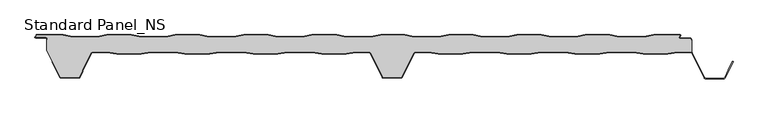
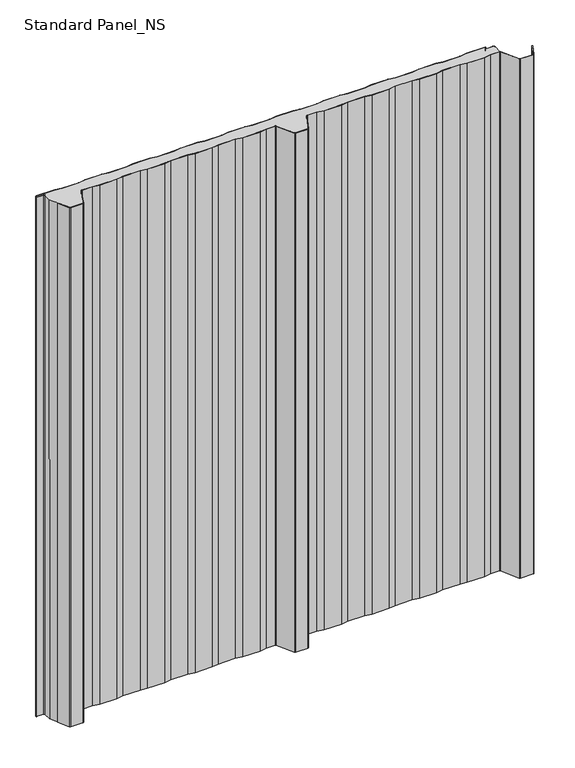
"""IFC4 building model written with IfcOpenShell, lengths in millimetres: proxy geometry, Standard Panel_NS."""

import ifcopenshell
import ifcopenshell.guid

model = None  # the IFC model being written
_history = None  # IfcOwnerHistory: only IFC2X3 demands one
_inside = {}  # id of a spatial element -> (the spatial element, [elements in it])
_under = {}  # id of a project, library or spatial element -> (it, [spatial elements below it])
_declared = {}  # id of a project -> (the project, [libraries it declares])
_typed = {}  # id of a type object -> (the type object, [elements of that type])
_made_of = {}  # id of a material, layer set ... -> (it, [elements and type objects made of it])


def new_model(schema):
    """Start an empty IFC model of exactly this schema.

    Asked for "IFC4X3", IfcOpenShell would pick the latest addendum, in which some entities
    have other attributes; the version numbers below select the first issue.
    IFC2X3 requires an IfcOwnerHistory on every rooted entity: one is made here for all.
    """
    global model, _history
    if schema == "IFC4X3":
        model = ifcopenshell.file(schema_version=(4, 3, 0, 0))
    else:
        model = ifcopenshell.file(schema=schema)
    _inside.clear()
    _under.clear()
    _declared.clear()
    _typed.clear()
    _made_of.clear()
    _history = None
    if model.schema == "IFC2X3":
        org = make("IfcOrganization", Name="unknown")
        user = make(
            "IfcPersonAndOrganization",
            ThePerson=make("IfcPerson", FamilyName="unknown"),
            TheOrganization=org,
        )
        app = make(
            "IfcApplication",
            ApplicationDeveloper=org,
            Version="unknown",
            ApplicationFullName="unknown",
            ApplicationIdentifier="unknown",
        )
        _history = make(
            "IfcOwnerHistory",
            OwningUser=user,
            OwningApplication=app,
            ChangeAction="ADDED",
            CreationDate=0,
        )
    return model


def make(cls, **values):
    """One entity of the class cls with the attributes given. An attribute that is None is left unset."""
    return model.create_entity(
        cls, **{name: value for name, value in values.items() if value is not None}
    )


def rooted(cls, **values):
    """An entity with a GlobalId (a new one), such as an element, a storey or a relation."""
    return make(cls, GlobalId=ifcopenshell.guid.new(), OwnerHistory=_history, **values)


def si_unit(unit_type, name, prefix=None):
    """IfcSIUnit, for example si_unit("LENGTHUNIT", "METRE", prefix="MILLI")."""
    return make("IfcSIUnit", UnitType=unit_type, Prefix=prefix, Name=name)


def assignment(units):
    """IfcUnitAssignment: the units of a project."""
    return None if units is None else make("IfcUnitAssignment", Units=units)


def point(xyz):
    """IfcCartesianPoint."""
    return None if xyz is None else make("IfcCartesianPoint", Coordinates=xyz)


def direction(xyz):
    """IfcDirection."""
    return None if xyz is None else make("IfcDirection", DirectionRatios=xyz)


def frame(location, z_axis=None, x_axis=None):
    """IfcAxis2Placement3D, a coordinate frame: its origin and axes. An axis left out is left unset."""
    return make(
        "IfcAxis2Placement3D",
        Location=point(location),
        Axis=direction(z_axis),
        RefDirection=direction(x_axis),
    )


def frame_2d(location, x_axis=None):
    """IfcAxis2Placement2D, a coordinate frame in the plane: its origin and x axis."""
    return make(
        "IfcAxis2Placement2D", Location=point(location), RefDirection=direction(x_axis)
    )


def origin():
    """The frame at (0, 0, 0) with its axes left unset."""
    return frame((0.0, 0.0, 0.0))


def origin_with_axes():
    """The frame at (0, 0, 0) with the z axis (0, 0, 1) and the x axis (1, 0, 0) written out."""
    return frame((0.0, 0.0, 0.0), z_axis=(0.0, 0.0, 1.0), x_axis=(1.0, 0.0, 0.0))


def place(relative_to, where):
    """IfcLocalPlacement: puts the frame where relative to a parent placement (None: the world)."""
    return make(
        "IfcLocalPlacement", PlacementRelTo=relative_to, RelativePlacement=where
    )


def context(
    kind, dimensions, precision=None, world=None, true_north=None, identifier=None
):
    """IfcGeometricRepresentationContext, for example the 3D "Model" context."""
    return make(
        "IfcGeometricRepresentationContext",
        ContextIdentifier=identifier,
        ContextType=kind,
        CoordinateSpaceDimension=dimensions,
        Precision=precision,
        WorldCoordinateSystem=world,
        TrueNorth=true_north,
    )


def project(units=None, contexts=None):
    """IfcProject with its units and contexts."""
    return rooted(
        "IfcProject",
        Name="project",
        RepresentationContexts=contexts,
        UnitsInContext=assignment(units),
    )


def spatial(cls, under=None, at=None, **own):
    """A site, building, storey or space (cls), placed at a placement, below another one or the project."""
    s = rooted(cls, ObjectPlacement=at, **own)
    if under is not None:
        _under.setdefault(under.id(), (under, []))[1].append(s)
    return s


def polyline(points):
    """IfcPolyline through the points."""
    return make("IfcPolyline", Points=[point(p) for p in points])


def circle_curve(where, radius):
    """IfcCircle in the frame where."""
    return make("IfcCircle", Position=where, Radius=radius)


def trimmed(basis, trim1, trim2, sense, master):
    """IfcTrimmedCurve: the piece of a basis curve between two trims."""
    return make(
        "IfcTrimmedCurve",
        BasisCurve=basis,
        Trim1=trim1,
        Trim2=trim2,
        SenseAgreement=sense,
        MasterRepresentation=master,
    )


def segment(curve, same_sense, transition):
    """IfcCompositeCurveSegment."""
    return make(
        "IfcCompositeCurveSegment",
        Transition=transition,
        SameSense=same_sense,
        ParentCurve=curve,
    )


def composite_curve(segments, self_intersect=None):
    """IfcCompositeCurve: segments joined end to end."""
    return make("IfcCompositeCurve", Segments=segments, SelfIntersect=self_intersect)


def outline(outer, holes=None, kind="AREA"):
    """IfcArbitraryClosedProfileDef: a profile drawn as a closed curve; with holes, ...WithVoids."""
    if holes is None:
        return make("IfcArbitraryClosedProfileDef", ProfileType=kind, OuterCurve=outer)
    return make(
        "IfcArbitraryProfileDefWithVoids",
        ProfileType=kind,
        OuterCurve=outer,
        InnerCurves=holes,
    )


def extrude(swept, where, along, depth):
    """IfcExtrudedAreaSolid: the profile swept, set in the frame where, extruded along a direction by depth."""
    return make(
        "IfcExtrudedAreaSolid",
        SweptArea=swept,
        Position=where,
        ExtrudedDirection=direction(along),
        Depth=depth,
    )


def shape(context_of_items, identifier, shape_type, items):
    """IfcShapeRepresentation: the items that make up one representation, for example the "Body"."""
    return make(
        "IfcShapeRepresentation",
        ContextOfItems=context_of_items,
        RepresentationIdentifier=identifier,
        RepresentationType=shape_type,
        Items=items,
    )


def source(mapping_origin, context_of_items, identifier, shape_type, items):
    """IfcRepresentationMap: a shape defined once, which mapped items show again and again."""
    return make(
        "IfcRepresentationMap",
        MappingOrigin=mapping_origin,
        MappedRepresentation=shape(context_of_items, identifier, shape_type, items),
    )


def transform(
    local_origin,
    x_axis=None,
    y_axis=None,
    z_axis=None,
    scale=None,
    scale2=None,
    scale3=None,
    uniform=True,
):
    """IfcCartesianTransformationOperator3D, or its non-uniform kind. x_axis, y_axis, z_axis: its Axis1, 2, 3."""
    if uniform:
        return make(
            "IfcCartesianTransformationOperator3D",
            Axis1=direction(x_axis),
            Axis2=direction(y_axis),
            LocalOrigin=point(local_origin),
            Scale=scale,
            Axis3=direction(z_axis),
        )
    return make(
        "IfcCartesianTransformationOperator3DnonUniform",
        Axis1=direction(x_axis),
        Axis2=direction(y_axis),
        LocalOrigin=point(local_origin),
        Scale=scale,
        Axis3=direction(z_axis),
        Scale2=scale2,
        Scale3=scale3,
    )


def mapped(mapping_source, mapping_target):
    """IfcMappedItem: shows the shape of a source again, moved by a transform."""
    return make(
        "IfcMappedItem", MappingSource=mapping_source, MappingTarget=mapping_target
    )


def made_of(thing, what):
    """Note that an element or type object is made of a material, layer set ...; save() writes the relation."""
    if what is not None:
        _made_of.setdefault(what.id(), (what, []))[1].append(thing)
    return thing


def element(
    cls,
    number,
    at=None,
    inside=None,
    cuts=None,
    type_object=None,
    material=None,
    context=None,
    identifier="Body",
    shape_type=None,
    held_by="IfcProductDefinitionShape",
    body=None,
    shapes=None,
    **own,
):
    """One element of the class cls, such as IfcWall. Its Tag is "e" and its number.

    at: its placement. inside: the storey or other place that contains it. cuts: it is an
    opening in that element (IfcRelVoidsElement). A single representation is given by context,
    identifier, shape_type and body (its items); several are given by shapes. held_by: the class
    of the entity that holds the representations. save() writes the other relations.
    """
    e = rooted(cls, Tag="e%d" % number, ObjectPlacement=at, **own)
    if body is not None:
        shapes = [shape(context, identifier, shape_type, body)]
    if shapes is not None:
        e.Representation = make(held_by, Representations=shapes)
    if inside is not None:
        _inside.setdefault(inside.id(), (inside, []))[1].append(e)
    if cuts is not None:
        rooted(
            "IfcRelVoidsElement", RelatingBuildingElement=cuts, RelatedOpeningElement=e
        )
    if type_object is not None:
        _typed.setdefault(type_object.id(), (type_object, []))[1].append(e)
    return made_of(e, material)


def aggregate(whole, parts):
    """IfcRelAggregates: a whole, such as a stair, and the parts it consists of."""
    return rooted("IfcRelAggregates", RelatingObject=whole, RelatedObjects=parts)


def save(model, path):
    """Write the relations noted so far, then the file.

    IfcRelAggregates (storeys below a building ...), IfcRelContainedInSpatialStructure (elements
    in a storey), IfcRelDefinesByType, IfcRelAssociatesMaterial and IfcRelDeclares: one each for
    every whole, place, type object, material and project.
    """
    for whole, parts in _under.values():
        aggregate(whole, parts)
    for where, things in _inside.values():
        rooted(
            "IfcRelContainedInSpatialStructure",
            RelatedElements=things,
            RelatingStructure=where,
        )
    for kind, things in _typed.values():
        rooted("IfcRelDefinesByType", RelatedObjects=things, RelatingType=kind)
    for what, things in _made_of.values():
        rooted("IfcRelAssociatesMaterial", RelatedObjects=things, RelatingMaterial=what)
    for by, libraries in _declared.values():
        rooted("IfcRelDeclares", RelatingContext=by, RelatedDefinitions=libraries)
    model.write(path)


def plane_surface(at):
    """IfcPlane: the flat surface through the origin of the frame at, square to its z axis."""
    return make("IfcPlane", Position=at)


def cylinder_surface(at, radius):
    """IfcCylindricalSurface: all points at the distance radius from the z axis of the frame at."""
    return make("IfcCylindricalSurface", Position=at, Radius=radius)


def revolved_surface(curve, axis_point, axis_direction):
    """IfcSurfaceOfRevolution: the curve turned about the line through axis_point along axis_direction."""
    return make(
        "IfcSurfaceOfRevolution",
        SweptCurve=make("IfcArbitraryOpenProfileDef", ProfileType="CURVE", Curve=curve),
        AxisPosition=make("IfcAxis1Placement", Location=point(axis_point), Axis=direction(axis_direction)),
    )


def advanced_brep(points, edges, surfaces, faces):
    """IfcAdvancedBrep: a solid bounded by faces that lie on surfaces and meet in shared edges.

    An edge is (start, end): straight between two places in points (the first is 0);
    or (start, end, curve); or (start, end, curve, False) where it runs against its curve.
    A face is (place in surfaces, loops), or (place, loops, False) where it looks against
    its surface's normal. A loop lists edges by number (the first is 1), with a minus sign
    where the edge is run from its end to its start. The first loop is the outer one.
    """
    corners = [point(p) for p in points]
    vertices = [make("IfcVertexPoint", VertexGeometry=c) for c in corners]
    made = []
    for start, end, *more in edges:
        made.append(
            make(
                "IfcEdgeCurve",
                EdgeStart=vertices[start],
                EdgeEnd=vertices[end],
                EdgeGeometry=more[0] if more else make("IfcPolyline", Points=[corners[start], corners[end]]),
                SameSense=more[1] if len(more) > 1 else True,
            )
        )
    hull = []
    for where, loops, *sense in faces:
        bounds = []
        for j, loop in enumerate(loops):
            ring = [make("IfcOrientedEdge", EdgeElement=made[abs(k) - 1], Orientation=k > 0) for k in loop]
            bounds.append(
                make(
                    "IfcFaceOuterBound" if j == 0 else "IfcFaceBound",
                    Bound=make("IfcEdgeLoop", EdgeList=ring),
                    Orientation=True,
                )
            )
        hull.append(make("IfcAdvancedFace", Bounds=bounds, FaceSurface=surfaces[where], SameSense=sense[0] if sense else True))
    return make("IfcAdvancedBrep", Outer=make("IfcClosedShell", CfsFaces=hull))


def standard_panel_ns_9a23c064(model_context):
    return source(origin(), model_context, "Body", "SolidModel", [
        advanced_brep(
        [(-464.8660923, -26.7, 1219.2), (-442.3904103, -26.7, 1219.2), (-427.5510173, -29.2, 1219.2), (-389.4758059, -29.2, 1219.2), (-374.6364129, -26.7, 1219.2), (-336.3904103, -26.7, 1219.2), (-321.5510173, -29.2, 1219.2), (-283.4758059, -29.2, 1219.2), (-268.6364129, -26.7, 1219.2), (-230.3904103, -26.7, 1219.2), (-215.5510173, -29.2, 1219.2), (-177.4758059, -29.2, 1219.2), (-162.6364129, -26.7, 1219.2), (-124.3904103, -26.7, 1219.2), (-109.5510173, -29.2, 1219.2), (-71.4758059, -29.2, 1219.2), (-56.6364129, -26.7, 1219.2), (-36.4221814, -26.7, 1219.2), (-33.648765, -28.415023, 1219.2), (-14.9196128, -65.9201502, 1219.2), (-13.5776371, -66.75, 1219.2), (13.5778186, -66.75, 1219.2), (14.9197943, -65.9201502, 1219.2), (33.6489464, -28.415023, 1219.2), (36.4223629, -26.7, 1219.2), (56.6365943, -26.7, 1219.2), (71.4759874, -29.2, 1219.2), (109.5511987, -29.2, 1219.2), (124.3905918, -26.7, 1219.2), (162.6365943, -26.7, 1219.2), (177.4759874, -29.2, 1219.2), (215.5511987, -29.2, 1219.2), (230.3905918, -26.7, 1219.2), (268.6365943, -26.7, 1219.2), (283.4759874, -29.2, 1219.2), (321.5511987, -29.2, 1219.2), (336.3905918, -26.7, 1219.2), (374.6365943, -26.7, 1219.2), (389.4759874, -29.2, 1219.2), (427.5511987, -29.2, 1219.2), (442.3905918, -26.7, 1219.2), (462.60413, -26.7, 1219.2), (464.2327461, -27.1622719, 1219.2), (464.2, -9.4, 1219.2), (463.3617336, -9.4, 1219.2), (463.3617336, -7.4001714, 1219.2), (462.0617343, -6.1001721, 1219.2), (446.4756642, -6.1001721, 1219.2), (444.965675, -3.3204106, 1219.2), (446.6010518, -0.8, 1219.2), (405.4929437, -0.8, 1219.2), (390.4929437, -3.3, 1219.2), (352.3605236, -3.3, 1219.2), (337.3605236, -0.8, 1219.2), (299.4929437, -0.8, 1219.2), (284.4929437, -3.3, 1219.2), (246.3605236, -3.3, 1219.2), (231.3605236, -0.8, 1219.2), (193.4929437, -0.8, 1219.2), (178.4929437, -3.3, 1219.2), (140.3605236, -3.3, 1219.2), (125.3605236, -0.8, 1219.2), (87.4929437, -0.8, 1219.2), (72.4929437, -3.3, 1219.2), (34.3605236, -3.3, 1219.2), (19.3605236, -0.8, 1219.2), (-18.0070563, -0.8, 1219.2), (-33.0070563, -3.3, 1219.2), (-71.1394764, -3.3, 1219.2), (-86.1394764, -0.8, 1219.2), (-124.5070563, -0.8, 1219.2), (-139.5070563, -3.3, 1219.2), (-177.6394764, -3.3, 1219.2), (-192.6394764, -0.8, 1219.2), (-230.5070563, -0.8, 1219.2), (-245.5070563, -3.3, 1219.2), (-283.6394764, -3.3, 1219.2), (-298.6394764, -0.8, 1219.2), (-336.5070563, -0.8, 1219.2), (-351.5070563, -3.3, 1219.2), (-389.6394764, -3.3, 1219.2), (-404.6394764, -0.8, 1219.2), (-442.5070563, -0.8, 1219.2), (-457.5070563, -3.3, 1219.2), (-495.6394764, -3.3, 1219.2), (-510.6394764, -0.8, 1219.2), (-551.4916498, -0.8, 1219.2), (-553.5680922, -4.0001723, 1219.2), (-537.2382661, -4.0001723, 1219.2), (-535.0382664, -6.2001721, 1219.2), (-535.0382664, -8.130172, 1219.2), (-535.8382664, -8.130172, 1219.2), (-535.7998185, -24.25, 1219.2), (-514.9196128, -65.9201502, 1219.2), (-513.5776371, -66.75, 1219.2), (-486.4221814, -66.75, 1219.2), (-485.0802057, -65.9201502, 1219.2), (-480.840508, -57.4301555, 1219.2), (-480.6503205, -55.7702853, 1219.2), (-480.4229673, -55.0045421, 1219.2), (-466.9237884, -27.9724364, 1219.2), (-464.8660923, -26.7, 0.0), (-466.9237884, -27.9724364, 0.0), (-480.4229673, -55.0045421, 0.0), (-480.6503205, -55.7702853, 0.0), (-480.840508, -57.4301555, 0.0), (-485.0802057, -65.9201502, 0.0), (-486.4221814, -66.75, 0.0), (-513.5776371, -66.75, 0.0), (-514.9196128, -65.9201502, 0.0), (-535.7286766, -24.25, 0.0), (-535.8382664, -8.130172, 0.0), (-535.0382664, -8.130172, 0.0), (-535.0382664, -6.2001721, 0.0), (-537.2382661, -4.0001723, 0.0), (-553.5680922, -4.0001723, 0.0), (-551.4916498, -0.8, 0.0), (-510.6394764, -0.8, 0.0), (-495.6394764, -3.3, 0.0), (-457.5070563, -3.3, 0.0), (-442.5070563, -0.8, 0.0), (-404.6394764, -0.8, 0.0), (-389.6394764, -3.3, 0.0), (-351.5070563, -3.3, 0.0), (-336.5070563, -0.8, 0.0), (-298.6394764, -0.8, 0.0), (-283.6394764, -3.3, 0.0), (-245.5070563, -3.3, 0.0), (-230.5070563, -0.8, 0.0), (-192.6394764, -0.8, 0.0), (-177.6394764, -3.3, 0.0), (-139.5070563, -3.3, 0.0), (-124.5070563, -0.8, 0.0), (-86.1394764, -0.8, 0.0), (-71.1394764, -3.3, 0.0), (-33.0070563, -3.3, 0.0), (-18.0070563, -0.8, 0.0), (19.3605236, -0.8, 0.0), (34.3605236, -3.3, 0.0), (72.4929437, -3.3, 0.0), (87.4929437, -0.8, 0.0), (125.3605236, -0.8, 0.0), (140.3605236, -3.3, 0.0), (178.4929437, -3.3, 0.0), (193.4929437, -0.8, 0.0), (231.3605236, -0.8, 0.0), (246.3605236, -3.3, 0.0), (284.4929437, -3.3, 0.0), (299.4929437, -0.8, 0.0), (337.3605236, -0.8, 0.0), (352.3605236, -3.3, 0.0), (390.4929437, -3.3, 0.0), (405.4929437, -0.8, 0.0), (446.6010518, -0.8, 0.0), (444.965675, -3.3204106, 0.0), (446.4756642, -6.1001721, 0.0), (462.0617343, -6.1001721, 0.0), (463.3617336, -7.4001714, 0.0), (463.3617336, -9.4001722, 0.0), (464.2, -9.4, 0.0), (464.2327461, -27.1622719, 0.0), (462.60413, -26.7, 0.0), (442.3905918, -26.7, 0.0), (427.5511987, -29.2, 0.0), (389.4759874, -29.2, 0.0), (374.6365943, -26.7, 0.0), (336.3905918, -26.7, 0.0), (321.5511987, -29.2, 0.0), (283.4759874, -29.2, 0.0), (268.6365943, -26.7, 0.0), (230.3905918, -26.7, 0.0), (215.5511987, -29.2, 0.0), (177.4759874, -29.2, 0.0), (162.6365943, -26.7, 0.0), (124.3905918, -26.7, 0.0), (109.5511987, -29.2, 0.0), (71.4759874, -29.2, 0.0), (56.6365943, -26.7, 0.0), (36.4223629, -26.7, 0.0), (33.6489464, -28.415023, 0.0), (14.9197943, -65.9201502, 0.0), (13.5778186, -66.75, 0.0), (-13.5776371, -66.75, 0.0), (-14.9196128, -65.9201502, 0.0), (-33.648765, -28.415023, 0.0), (-36.4221814, -26.7, 0.0), (-56.6364129, -26.7, 0.0), (-71.4758059, -29.2, 0.0), (-109.5510173, -29.2, 0.0), (-124.3904103, -26.7, 0.0), (-162.6364129, -26.7, 0.0), (-177.4758059, -29.2, 0.0), (-215.5510173, -29.2, 0.0), (-230.3904103, -26.7, 0.0), (-268.6364129, -26.7, 0.0), (-283.4758059, -29.2, 0.0), (-321.5510173, -29.2, 0.0), (-336.3904103, -26.7, 0.0), (-374.6364129, -26.7, 0.0), (-389.4758059, -29.2, 0.0), (-427.5510173, -29.2, 0.0), (-442.3904103, -26.7, 0.0)],
        [
            (0, 1),
            (1, 2),
            (2, 3),
            (3, 4),
            (4, 5),
            (5, 6),
            (6, 7),
            (7, 8),
            (8, 9),
            (9, 10),
            (10, 11),
            (11, 12),
            (12, 13),
            (13, 14),
            (14, 15),
            (15, 16),
            (16, 17),
            (17, 18, circle_curve(frame((-36.4221814, -29.8, 1219.2), z_axis=(0.0, 0.0, -1.0), x_axis=(-1.0, 0.0, 0.0)), 3.1)),
            (18, 19),
            (19, 20, circle_curve(frame((-13.5776371, -65.25, 1219.2), z_axis=(0.0, 0.0, 1.0), x_axis=(-1.0, 0.0, 0.0)), 1.5)),
            (20, 21),
            (21, 22, circle_curve(frame((13.5778186, -65.25, 1219.2), z_axis=(0.0, 0.0, 1.0), x_axis=(-1.0, 0.0, 0.0)), 1.5)),
            (22, 23),
            (23, 24, circle_curve(frame((36.4223629, -29.8, 1219.2), z_axis=(0.0, 0.0, -1.0), x_axis=(-1.0, 0.0, 0.0)), 3.1)),
            (24, 25),
            (25, 26),
            (26, 27),
            (27, 28),
            (28, 29),
            (29, 30),
            (30, 31),
            (31, 32),
            (32, 33),
            (33, 34),
            (34, 35),
            (35, 36),
            (36, 37),
            (37, 38),
            (38, 39),
            (39, 40),
            (40, 41),
            (41, 42, circle_curve(frame((462.60413, -29.8, 1219.2), z_axis=(0.0, 0.0, -1.0), x_axis=(-1.0, 0.0, 0.0)), 3.1)),
            (42, 43),
            (43, 44),
            (44, 45),
            (45, 46, circle_curve(frame((462.0617343, -7.4001714, 1219.2), z_axis=(0.0, 0.0, 1.0), x_axis=(-1.0, 0.0, 0.0)), 1.2999993)),
            (46, 47),
            (47, 48, circle_curve(frame((446.4756642, -4.3001721, 1219.2), z_axis=(0.0, 0.0, -1.0), x_axis=(-1.0, 0.0, 0.0)), 1.8)),
            (48, 49),
            (49, 50),
            (50, 51),
            (51, 52),
            (52, 53),
            (53, 54),
            (54, 55),
            (55, 56),
            (56, 57),
            (57, 58),
            (58, 59),
            (59, 60),
            (60, 61),
            (61, 62),
            (62, 63),
            (63, 64),
            (64, 65),
            (65, 66),
            (66, 67),
            (67, 68),
            (68, 69),
            (69, 70),
            (70, 71),
            (71, 72),
            (72, 73),
            (73, 74),
            (74, 75),
            (75, 76),
            (76, 77),
            (77, 78),
            (78, 79),
            (79, 80),
            (80, 81),
            (81, 82),
            (82, 83),
            (83, 84),
            (84, 85),
            (85, 86),
            (86, 87),
            (87, 88),
            (88, 89, circle_curve(frame((-537.2382661, -6.2001721, 1219.2), z_axis=(0.0, 0.0, -1.0), x_axis=(-1.0, 0.0, 0.0)), 2.1999997)),
            (89, 90),
            (90, 91),
            (91, 92),
            (92, 93),
            (93, 94, circle_curve(frame((-513.5776371, -65.25, 1219.2), z_axis=(0.0, 0.0, 1.0), x_axis=(-1.0, 0.0, 0.0)), 1.5)),
            (94, 95),
            (95, 96, circle_curve(frame((-486.4221814, -65.25, 1219.2), z_axis=(0.0, 0.0, 1.0), x_axis=(-1.0, 0.0, 0.0)), 1.5)),
            (96, 97),
            (97, 98),
            (98, 99, circle_curve(frame((-478.3652712, -56.0321057, 1219.2), z_axis=(0.0, 0.0, -1.0), x_axis=(-1.0, 0.0, 0.0)), 2.3)),
            (99, 100),
            (100, 0, circle_curve(frame((-464.8660923, -29.0, 1219.2), z_axis=(0.0, 0.0, -1.0), x_axis=(-1.0, 0.0, 0.0)), 2.3)),
            (101, 102, circle_curve(frame((-464.8660923, -29.0, 0.0), z_axis=(0.0, 0.0, 1.0), x_axis=(-1.0, 0.0, 0.0)), 2.3)),
            (102, 103),
            (103, 104, circle_curve(frame((-478.3652712, -56.0321057, 0.0), z_axis=(0.0, 0.0, 1.0), x_axis=(-1.0, 0.0, 0.0)), 2.3)),
            (104, 105),
            (105, 106),
            (106, 107, circle_curve(frame((-486.4221814, -65.25, 0.0), z_axis=(0.0, 0.0, -1.0), x_axis=(-1.0, 0.0, 0.0)), 1.5)),
            (107, 108),
            (108, 109, circle_curve(frame((-513.5776371, -65.25, 0.0), z_axis=(0.0, 0.0, -1.0), x_axis=(-1.0, 0.0, 0.0)), 1.5)),
            (109, 110),
            (110, 111),
            (111, 112),
            (112, 113),
            (113, 114, circle_curve(frame((-537.2382661, -6.2001721, 0.0), z_axis=(0.0, 0.0, 1.0), x_axis=(-1.0, 0.0, 0.0)), 2.1999997)),
            (114, 115),
            (115, 116),
            (116, 117),
            (117, 118),
            (118, 119),
            (119, 120),
            (120, 121),
            (121, 122),
            (122, 123),
            (123, 124),
            (124, 125),
            (125, 126),
            (126, 127),
            (127, 128),
            (128, 129),
            (129, 130),
            (130, 131),
            (131, 132),
            (132, 133),
            (133, 134),
            (134, 135),
            (135, 136),
            (136, 137),
            (137, 138),
            (138, 139),
            (139, 140),
            (140, 141),
            (141, 142),
            (142, 143),
            (143, 144),
            (144, 145),
            (145, 146),
            (146, 147),
            (147, 148),
            (148, 149),
            (149, 150),
            (150, 151),
            (151, 152),
            (152, 153),
            (153, 154),
            (154, 155, circle_curve(frame((446.4756642, -4.3001721, 0.0), z_axis=(0.0, 0.0, 1.0), x_axis=(-1.0, 0.0, 0.0)), 1.8)),
            (155, 156),
            (156, 157, circle_curve(frame((462.0617343, -7.4001714, 0.0), z_axis=(0.0, 0.0, -1.0), x_axis=(-1.0, 0.0, 0.0)), 1.2999993)),
            (157, 158),
            (158, 159),
            (159, 160),
            (160, 161, circle_curve(frame((462.60413, -29.8, 0.0), z_axis=(0.0, 0.0, 1.0), x_axis=(-1.0, 0.0, 0.0)), 3.1)),
            (161, 162),
            (162, 163),
            (163, 164),
            (164, 165),
            (165, 166),
            (166, 167),
            (167, 168),
            (168, 169),
            (169, 170),
            (170, 171),
            (171, 172),
            (172, 173),
            (173, 174),
            (174, 175),
            (175, 176),
            (176, 177),
            (177, 178),
            (178, 179, circle_curve(frame((36.4223629, -29.8, 0.0), z_axis=(0.0, 0.0, 1.0), x_axis=(-1.0, 0.0, 0.0)), 3.1)),
            (179, 180),
            (180, 181, circle_curve(frame((13.5778186, -65.25, 0.0), z_axis=(0.0, 0.0, -1.0), x_axis=(-1.0, 0.0, 0.0)), 1.5)),
            (181, 182),
            (182, 183, circle_curve(frame((-13.5776371, -65.25, 0.0), z_axis=(0.0, 0.0, -1.0), x_axis=(-1.0, 0.0, 0.0)), 1.5)),
            (183, 184),
            (184, 185, circle_curve(frame((-36.4221814, -29.8, 0.0), z_axis=(0.0, 0.0, 1.0), x_axis=(-1.0, 0.0, 0.0)), 3.1)),
            (185, 186),
            (186, 187),
            (187, 188),
            (188, 189),
            (189, 190),
            (190, 191),
            (191, 192),
            (192, 193),
            (193, 194),
            (194, 195),
            (195, 196),
            (196, 197),
            (197, 198),
            (198, 199),
            (199, 200),
            (200, 201),
            (201, 101),
            (100, 102),
            (101, 0),
            (99, 103),
            (98, 104),
            (97, 105),
            (96, 106),
            (95, 107),
            (94, 108),
            (93, 109),
            (92, 110),
            (159, 43),
            (42, 160),
            (41, 161),
            (40, 162),
            (39, 163),
            (38, 164),
            (37, 165),
            (36, 166),
            (35, 167),
            (34, 168),
            (33, 169),
            (32, 170),
            (31, 171),
            (30, 172),
            (29, 173),
            (28, 174),
            (27, 175),
            (26, 176),
            (25, 177),
            (24, 178),
            (23, 179),
            (22, 180),
            (21, 181),
            (20, 182),
            (19, 183),
            (18, 184),
            (17, 185),
            (16, 186),
            (15, 187),
            (14, 188),
            (13, 189),
            (12, 190),
            (11, 191),
            (10, 192),
            (9, 193),
            (8, 194),
            (7, 195),
            (6, 196),
            (5, 197),
            (4, 198),
            (3, 199),
            (2, 200),
            (1, 201),
            (158, 44),
            (91, 111),
            (88, 114),
            (113, 89),
            (87, 115),
            (86, 116),
            (85, 117),
            (84, 118),
            (83, 119),
            (82, 120),
            (81, 121),
            (80, 122),
            (79, 123),
            (78, 124),
            (77, 125),
            (76, 126),
            (75, 127),
            (74, 128),
            (73, 129),
            (72, 130),
            (71, 131),
            (70, 132),
            (69, 133),
            (68, 134),
            (67, 135),
            (66, 136),
            (65, 137),
            (64, 138),
            (63, 139),
            (62, 140),
            (61, 141),
            (60, 142),
            (59, 143),
            (58, 144),
            (57, 145),
            (56, 146),
            (55, 147),
            (54, 148),
            (53, 149),
            (52, 150),
            (51, 151),
            (50, 152),
            (49, 153),
            (48, 154),
            (47, 155),
            (46, 156),
            (45, 157),
            (90, 112),
        ],
        [
            plane_surface(frame((9.07e-05, -29.2, 1219.2), z_axis=(0.0, 0.0, 1.0), x_axis=(0.0, -1.0, 0.0))),
            plane_surface(frame((9.07e-05, -29.2, 0.0), z_axis=(0.0, 0.0, -1.0), x_axis=(0.0, -1.0, 0.0))),
            revolved_surface(polyline([(-467.1660923, -29.0, 0.0), (-467.1660923, -29.0, 1219.2)]), (-464.8660923, -29.0, 1219.2), (0.0, 0.0, -1.0)),
            plane_surface(frame((-466.9237884, -27.9724364, 1219.2), z_axis=(0.8946504628058127, -0.44676677293789996, 0.0), x_axis=(0.0, 0.0, -1.0))),
            revolved_surface(polyline([(-480.6652712, -56.0321057, 0.0), (-480.6652712, -56.0321057, 1219.2)]), (-478.3652712, -56.0321057, 1219.2), (0.0, 0.0, -1.0)),
            plane_surface(frame((-480.6503205, -55.7702853, 1219.2), z_axis=(0.9934996737929253, -0.113834960242235, 0.0), x_axis=(0.0, 0.0, -1.0))),
            plane_surface(frame((-480.840508, -57.4301555, 1219.2), z_axis=(0.8946504628055771, -0.44676677293837186, 0.0), x_axis=(0.0, 0.0, -1.0))),
            cylinder_surface(frame((-486.4221814, -65.25, 1219.2), z_axis=(0.0, 0.0, 1.0), x_axis=(-1.0, 0.0, 0.0)), 1.5),
            plane_surface(frame((-486.4221814, -66.75, 1219.2), z_axis=(0.0, -1.0, 0.0), x_axis=(0.0, 0.0, -1.0))),
            cylinder_surface(frame((-513.5776371, -65.25, 1219.2), z_axis=(0.0, 0.0, 1.0), x_axis=(-1.0, 0.0, 0.0)), 1.5),
            plane_surface(frame((-514.9196128, -65.9201502, 1219.2), z_axis=(-0.8946504628064579, -0.44676677293660805, 0.0), x_axis=(0.0, 0.0, -1.0))),
            plane_surface(frame((464.2327461, -24.25, 1219.2), z_axis=(1.0, 0.0, 0.0), x_axis=(0.0, 0.0, -1.0))),
            revolved_surface(polyline([(459.50413, -29.8, 0.0), (459.50413, -29.8, 1219.2)]), (462.60413, -29.8, 1219.2), (0.0, 0.0, -1.0)),
            plane_surface(frame((462.60413, -26.7, 1219.2), z_axis=(0.0, -1.0, 0.0), x_axis=(0.0, 0.0, -1.0))),
            plane_surface(frame((442.3905918, -26.7, 1219.2), z_axis=(0.16612942863435848, -0.9861039564577467, 0.0), x_axis=(0.0, 0.0, -1.0))),
            plane_surface(frame((427.5511987, -29.2, 1219.2), z_axis=(0.0, -1.0, 0.0), x_axis=(0.0, 0.0, -1.0))),
            plane_surface(frame((389.4759874, -29.2, 1219.2), z_axis=(-0.16612942863454067, -0.9861039564577161, 0.0), x_axis=(0.0, 0.0, -1.0))),
            plane_surface(frame((374.6365943, -26.7, 1219.2), z_axis=(0.0, -1.0, 0.0), x_axis=(0.0, 0.0, -1.0))),
            plane_surface(frame((336.3905918, -26.7, 1219.2), z_axis=(0.1661294286345235, -0.986103956457719, 0.0), x_axis=(0.0, 0.0, -1.0))),
            plane_surface(frame((321.5511987, -29.2, 1219.2), z_axis=(0.0, -1.0, 0.0), x_axis=(0.0, 0.0, -1.0))),
            plane_surface(frame((283.4759874, -29.2, 1219.2), z_axis=(-0.16612942863454067, -0.9861039564577161, 0.0), x_axis=(0.0, 0.0, -1.0))),
            plane_surface(frame((268.6365943, -26.7, 1219.2), z_axis=(0.0, -1.0, 0.0), x_axis=(0.0, 0.0, -1.0))),
            plane_surface(frame((230.3905918, -26.7, 1219.2), z_axis=(0.16612942863435848, -0.9861039564577467, 0.0), x_axis=(0.0, 0.0, -1.0))),
            plane_surface(frame((215.5511987, -29.2, 1219.2), z_axis=(0.0, -1.0, 0.0), x_axis=(0.0, 0.0, -1.0))),
            plane_surface(frame((177.4759874, -29.2, 1219.2), z_axis=(-0.16612942863472926, -0.9861039564576843, 0.0), x_axis=(0.0, 0.0, -1.0))),
            plane_surface(frame((162.6365943, -26.7, 1219.2), z_axis=(0.0, -1.0, 0.0), x_axis=(0.0, 0.0, -1.0))),
            plane_surface(frame((124.3905918, -26.7, 1219.2), z_axis=(0.1661294286345235, -0.986103956457719, 0.0), x_axis=(0.0, 0.0, -1.0))),
            plane_surface(frame((109.5511987, -29.2, 1219.2), z_axis=(0.0, -1.0, 0.0), x_axis=(0.0, 0.0, -1.0))),
            plane_surface(frame((71.4759874, -29.2, 1219.2), z_axis=(-0.16612942863435204, -0.9861039564577478, 0.0), x_axis=(0.0, 0.0, -1.0))),
            plane_surface(frame((56.6365943, -26.7, 1219.2), z_axis=(0.0, -1.0, 0.0), x_axis=(0.0, 0.0, -1.0))),
            revolved_surface(polyline([(33.3223629, -29.8, 0.0), (33.3223629, -29.8, 1219.2)]), (36.4223629, -29.8, 1219.2), (0.0, 0.0, -1.0)),
            plane_surface(frame((33.6489464, -28.415023, 1219.2), z_axis=(0.8946504628060804, -0.44676677293736405, 0.0), x_axis=(0.0, 0.0, -1.0))),
            cylinder_surface(frame((13.5778186, -65.25, 1219.2), z_axis=(0.0, 0.0, 1.0), x_axis=(-1.0, 0.0, 0.0)), 1.5),
            plane_surface(frame((13.5778186, -66.75, 1219.2), z_axis=(0.0, -1.0, 0.0), x_axis=(0.0, 0.0, -1.0))),
            cylinder_surface(frame((-13.5776371, -65.25, 1219.2), z_axis=(0.0, 0.0, 1.0), x_axis=(-1.0, 0.0, 0.0)), 1.5),
            plane_surface(frame((-14.9196128, -65.9201502, 1219.2), z_axis=(-0.8946504628059846, -0.4467667729375559, 0.0), x_axis=(0.0, 0.0, -1.0))),
            revolved_surface(polyline([(-39.5221814, -29.8, 0.0), (-39.5221814, -29.8, 1219.2)]), (-36.4221814, -29.8, 1219.2), (0.0, 0.0, -1.0)),
            plane_surface(frame((-36.4221814, -26.7, 1219.2), z_axis=(0.0, -1.0, 0.0), x_axis=(0.0, 0.0, -1.0))),
            plane_surface(frame((-56.6364129, -26.7, 1219.2), z_axis=(0.16612942863461477, -0.9861039564577035, 0.0), x_axis=(0.0, 0.0, -1.0))),
            plane_surface(frame((-71.4758059, -29.2, 1219.2), z_axis=(0.0, -1.0, 0.0), x_axis=(0.0, 0.0, -1.0))),
            plane_surface(frame((-109.5510173, -29.2, 1219.2), z_axis=(-0.16612942863482053, -0.9861039564576689, 0.0), x_axis=(0.0, 0.0, -1.0))),
            plane_surface(frame((-124.3904103, -26.7, 1219.2), z_axis=(0.0, -1.0, 0.0), x_axis=(0.0, 0.0, -1.0))),
            plane_surface(frame((-162.6364129, -26.7, 1219.2), z_axis=(0.16612942863457067, -0.986103956457711, 0.0), x_axis=(0.0, 0.0, -1.0))),
            plane_surface(frame((-177.4758059, -29.2, 1219.2), z_axis=(0.0, -1.0, 0.0), x_axis=(0.0, 0.0, -1.0))),
            plane_surface(frame((-215.5510173, -29.2, 1219.2), z_axis=(-0.16612942863435204, -0.9861039564577478, 0.0), x_axis=(0.0, 0.0, -1.0))),
            plane_surface(frame((-230.3904103, -26.7, 1219.2), z_axis=(0.0, -1.0, 0.0), x_axis=(0.0, 0.0, -1.0))),
            plane_surface(frame((-268.6364129, -26.7, 1219.2), z_axis=(0.1661294286345471, -0.986103956457715, 0.0), x_axis=(0.0, 0.0, -1.0))),
            plane_surface(frame((-283.4758059, -29.2, 1219.2), z_axis=(0.0, -1.0, 0.0), x_axis=(0.0, 0.0, -1.0))),
            plane_surface(frame((-321.5510173, -29.2, 1219.2), z_axis=(-0.16612942863454067, -0.9861039564577161, 0.0), x_axis=(0.0, 0.0, -1.0))),
            plane_surface(frame((-336.3904103, -26.7, 1219.2), z_axis=(0.0, -1.0, 0.0), x_axis=(0.0, 0.0, -1.0))),
            plane_surface(frame((-374.6364129, -26.7, 1219.2), z_axis=(0.1661294286345471, -0.986103956457715, 0.0), x_axis=(0.0, 0.0, -1.0))),
            plane_surface(frame((-389.4758059, -29.2, 1219.2), z_axis=(0.0, -1.0, 0.0), x_axis=(0.0, 0.0, -1.0))),
            plane_surface(frame((-427.5510173, -29.2, 1219.2), z_axis=(-0.16612942863472926, -0.9861039564576843, 0.0), x_axis=(0.0, 0.0, -1.0))),
            plane_surface(frame((-442.3904103, -26.7, 1219.2), z_axis=(0.0, -1.0, 0.0), x_axis=(0.0, 0.0, -1.0))),
            plane_surface(frame((-535.7998185, -9.4, 1219.2), z_axis=(0.0, 1.0, 0.0), x_axis=(0.0, 0.0, -1.0))),
            plane_surface(frame((-535.7998185, -24.25, 1219.2), z_axis=(-1.0, 0.0, 0.0), x_axis=(0.0, 0.0, -1.0))),
            revolved_surface(polyline([(-539.4382658000001, -6.2001721, 0.0), (-539.4382658000001, -6.2001721, 1219.2)]), (-537.2382661, -6.2001721, 1219.2), (0.0, 0.0, -1.0)),
            plane_surface(frame((-537.2382661, -4.0001723, 1219.2), z_axis=(0.0, -1.0, 0.0), x_axis=(0.0, 0.0, -1.0))),
            plane_surface(frame((-553.5680922, -4.0001723, 1219.2), z_axis=(-0.8388828900560089, 0.5443119480328152, 0.0), x_axis=(0.0, 0.0, -1.0))),
            plane_surface(frame((-551.4916498, -0.8, 1219.2), z_axis=(0.0, 1.0, 0.0), x_axis=(0.0, 0.0, -1.0))),
            plane_surface(frame((-510.6394764, -0.8, 1219.2), z_axis=(0.16439898730529637, 0.986393923832154, 0.0), x_axis=(0.0, 0.0, -1.0))),
            plane_surface(frame((-495.6394764, -3.3, 1219.2), z_axis=(0.0, 1.0, 0.0), x_axis=(0.0, 0.0, -1.0))),
            plane_surface(frame((-457.5070563, -3.3, 1219.2), z_axis=(-0.1643989873053497, 0.9863939238321451, 0.0), x_axis=(0.0, 0.0, -1.0))),
            plane_surface(frame((-442.5070563, -0.8, 1219.2), z_axis=(0.0, 1.0, 0.0), x_axis=(0.0, 0.0, -1.0))),
            plane_surface(frame((-404.6394764, -0.8, 1219.2), z_axis=(0.16439898730534544, 0.9863939238321457, 0.0), x_axis=(0.0, 0.0, -1.0))),
            plane_surface(frame((-389.6394764, -3.3, 1219.2), z_axis=(0.0, 1.0, 0.0), x_axis=(0.0, 0.0, -1.0))),
            plane_surface(frame((-351.5070563, -3.3, 1219.2), z_axis=(-0.16439898730537528, 0.9863939238321408, 0.0), x_axis=(0.0, 0.0, -1.0))),
            plane_surface(frame((-336.5070563, -0.8, 1219.2), z_axis=(0.0, 1.0, 0.0), x_axis=(0.0, 0.0, -1.0))),
            plane_surface(frame((-298.6394764, -0.8, 1219.2), z_axis=(0.16439898730518882, 0.9863939238321718, 0.0), x_axis=(0.0, 0.0, -1.0))),
            plane_surface(frame((-283.6394764, -3.3, 1219.2), z_axis=(0.0, 1.0, 0.0), x_axis=(0.0, 0.0, -1.0))),
            plane_surface(frame((-245.5070563, -3.3, 1219.2), z_axis=(-0.16439898730526595, 0.986393923832159, 0.0), x_axis=(0.0, 0.0, -1.0))),
            plane_surface(frame((-230.5070563, -0.8, 1219.2), z_axis=(0.0, 1.0, 0.0), x_axis=(0.0, 0.0, -1.0))),
            plane_surface(frame((-192.6394764, -0.8, 1219.2), z_axis=(0.1643989873054454, 0.9863939238321291, 0.0), x_axis=(0.0, 0.0, -1.0))),
            plane_surface(frame((-177.6394764, -3.3, 1219.2), z_axis=(0.0, 1.0, 0.0), x_axis=(0.0, 0.0, -1.0))),
            plane_surface(frame((-139.5070563, -3.3, 1219.2), z_axis=(-0.16439898730351146, 0.9863939238324514, 0.0), x_axis=(0.0, 0.0, -1.0))),
            plane_surface(frame((-124.5070563, -0.8, 1219.2), z_axis=(0.0, 1.0, 0.0), x_axis=(0.0, 0.0, -1.0))),
            plane_surface(frame((-86.1394764, -0.8, 1219.2), z_axis=(0.16439898730531116, 0.9863939238321515, 0.0), x_axis=(0.0, 0.0, -1.0))),
            plane_surface(frame((-71.1394764, -3.3, 1219.2), z_axis=(0.0, 1.0, 0.0), x_axis=(0.0, 0.0, -1.0))),
            plane_surface(frame((-33.0070563, -3.3, 1219.2), z_axis=(-0.1643989873007139, 0.9863939238329177, 0.0), x_axis=(0.0, 0.0, -1.0))),
            plane_surface(frame((-18.0070563, -0.8, 1219.2), z_axis=(0.0, 1.0, 0.0), x_axis=(0.0, 0.0, -1.0))),
            plane_surface(frame((19.3605236, -0.8, 1219.2), z_axis=(0.16439898730276062, 0.9863939238325765, 0.0), x_axis=(0.0, 0.0, -1.0))),
            plane_surface(frame((34.3605236, -3.3, 1219.2), z_axis=(0.0, 1.0, 0.0), x_axis=(0.0, 0.0, -1.0))),
            plane_surface(frame((72.4929437, -3.3, 1219.2), z_axis=(-0.1643989873053467, 0.9863939238321456, 0.0), x_axis=(0.0, 0.0, -1.0))),
            plane_surface(frame((87.4929437, -0.8, 1219.2), z_axis=(0.0, 1.0, 0.0), x_axis=(0.0, 0.0, -1.0))),
            plane_surface(frame((125.3605236, -0.8, 1219.2), z_axis=(0.1643989873053679, 0.9863939238321421, 0.0), x_axis=(0.0, 0.0, -1.0))),
            plane_surface(frame((140.3605236, -3.3, 1219.2), z_axis=(0.0, 1.0, 0.0), x_axis=(0.0, 0.0, -1.0))),
            plane_surface(frame((178.4929437, -3.3, 1219.2), z_axis=(-0.1643989873053467, 0.9863939238321456, 0.0), x_axis=(0.0, 0.0, -1.0))),
            plane_surface(frame((193.4929437, -0.8, 1219.2), z_axis=(0.0, 1.0, 0.0), x_axis=(0.0, 0.0, -1.0))),
            plane_surface(frame((231.3605236, -0.8, 1219.2), z_axis=(0.16439898730518315, 0.9863939238321728, 0.0), x_axis=(0.0, 0.0, -1.0))),
            plane_surface(frame((246.3605236, -3.3, 1219.2), z_axis=(0.0, 1.0, 0.0), x_axis=(0.0, 0.0, -1.0))),
            plane_surface(frame((284.4929437, -3.3, 1219.2), z_axis=(-0.1643989873053467, 0.9863939238321456, 0.0), x_axis=(0.0, 0.0, -1.0))),
            plane_surface(frame((299.4929437, -0.8, 1219.2), z_axis=(0.0, 1.0, 0.0), x_axis=(0.0, 0.0, -1.0))),
            plane_surface(frame((337.3605236, -0.8, 1219.2), z_axis=(0.1643989873053679, 0.9863939238321421, 0.0), x_axis=(0.0, 0.0, -1.0))),
            plane_surface(frame((352.3605236, -3.3, 1219.2), z_axis=(0.0, 1.0, 0.0), x_axis=(0.0, 0.0, -1.0))),
            plane_surface(frame((390.4929437, -3.3, 1219.2), z_axis=(-0.16439898730516195, 0.9863939238321764, 0.0), x_axis=(0.0, 0.0, -1.0))),
            plane_surface(frame((405.4929437, -0.8, 1219.2), z_axis=(0.0, 1.0, 0.0), x_axis=(0.0, 0.0, -1.0))),
            plane_surface(frame((446.6010518, -0.8, 1219.2), z_axis=(0.8388828900539764, -0.5443119480359477, 0.0), x_axis=(0.0, 0.0, -1.0))),
            revolved_surface(polyline([(444.67566419999997, -4.3001721, 0.0), (444.67566419999997, -4.3001721, 1219.2)]), (446.4756642, -4.3001721, 1219.2), (0.0, 0.0, -1.0)),
            plane_surface(frame((446.4756642, -6.1001721, 1219.2), z_axis=(0.0, 1.0, 0.0), x_axis=(0.0, 0.0, -1.0))),
            cylinder_surface(frame((462.0617343, -7.4001714, 1219.2), z_axis=(0.0, 0.0, 1.0), x_axis=(-1.0, 0.0, 0.0)), 1.2999993),
            plane_surface(frame((463.3617336, -7.4001714, 1219.2), z_axis=(1.0, 0.0, 0.0), x_axis=(0.0, 0.0, -1.0))),
            plane_surface(frame((-535.8382664, -8.130172, 1219.2), z_axis=(0.0, 1.0, 0.0), x_axis=(0.0, 0.0, -1.0))),
            plane_surface(frame((-535.0382664, -8.130172, 1219.2), z_axis=(-1.0, 0.0, 0.0), x_axis=(0.0, 0.0, -1.0))),
        ],
        [
            (0, [[1, 2, 3, 4, 5, 6, 7, 8, 9, 10, 11, 12, 13, 14, 15, 16, 17, 18, 19, 20, 21, 22, 23, 24, 25, 26, 27, 28, 29, 30, 31, 32, 33, 34, 35, 36, 37, 38, 39, 40, 41, 42, 43, 44, 45, 46, 47, 48, 49, 50, 51, 52, 53, 54, 55, 56, 57, 58, 59, 60, 61, 62, 63, 64, 65, 66, 67, 68, 69, 70, 71, 72, 73, 74, 75, 76, 77, 78, 79, 80, 81, 82, 83, 84, 85, 86, 87, 88, 89, 90, 91, 92, 93, 94, 95, 96, 97, 98, 99, 100, 101]]),
            (1, [[102, 103, 104, 105, 106, 107, 108, 109, 110, 111, 112, 113, 114, 115, 116, 117, 118, 119, 120, 121, 122, 123, 124, 125, 126, 127, 128, 129, 130, 131, 132, 133, 134, 135, 136, 137, 138, 139, 140, 141, 142, 143, 144, 145, 146, 147, 148, 149, 150, 151, 152, 153, 154, 155, 156, 157, 158, 159, 160, 161, 162, 163, 164, 165, 166, 167, 168, 169, 170, 171, 172, 173, 174, 175, 176, 177, 178, 179, 180, 181, 182, 183, 184, 185, 186, 187, 188, 189, 190, 191, 192, 193, 194, 195, 196, 197, 198, 199, 200, 201, 202]]),
            (2, [[203, -102, 204, -101]]),
            (3, [[205, -103, -203, -100]]),
            (4, [[206, -104, -205, -99]]),
            (5, [[207, -105, -206, -98]]),
            (6, [[208, -106, -207, -97]]),
            (7, [[209, -107, -208, -96]]),
            (8, [[210, -108, -209, -95]]),
            (9, [[211, -109, -210, -94]]),
            (10, [[212, -110, -211, -93]]),
            (11, [[-160, 213, -43, 214]]),
            (12, [[215, -161, -214, -42]]),
            (13, [[216, -162, -215, -41]]),
            (14, [[217, -163, -216, -40]]),
            (15, [[218, -164, -217, -39]]),
            (16, [[219, -165, -218, -38]]),
            (17, [[220, -166, -219, -37]]),
            (18, [[221, -167, -220, -36]]),
            (19, [[222, -168, -221, -35]]),
            (20, [[223, -169, -222, -34]]),
            (21, [[224, -170, -223, -33]]),
            (22, [[225, -171, -224, -32]]),
            (23, [[226, -172, -225, -31]]),
            (24, [[227, -173, -226, -30]]),
            (25, [[228, -174, -227, -29]]),
            (26, [[229, -175, -228, -28]]),
            (27, [[230, -176, -229, -27]]),
            (28, [[231, -177, -230, -26]]),
            (29, [[232, -178, -231, -25]]),
            (30, [[233, -179, -232, -24]]),
            (31, [[234, -180, -233, -23]]),
            (32, [[235, -181, -234, -22]]),
            (33, [[236, -182, -235, -21]]),
            (34, [[237, -183, -236, -20]]),
            (35, [[238, -184, -237, -19]]),
            (36, [[239, -185, -238, -18]]),
            (37, [[240, -186, -239, -17]]),
            (38, [[241, -187, -240, -16]]),
            (39, [[242, -188, -241, -15]]),
            (40, [[243, -189, -242, -14]]),
            (41, [[244, -190, -243, -13]]),
            (42, [[245, -191, -244, -12]]),
            (43, [[246, -192, -245, -11]]),
            (44, [[247, -193, -246, -10]]),
            (45, [[248, -194, -247, -9]]),
            (46, [[249, -195, -248, -8]]),
            (47, [[250, -196, -249, -7]]),
            (48, [[251, -197, -250, -6]]),
            (49, [[252, -198, -251, -5]]),
            (50, [[253, -199, -252, -4]]),
            (51, [[254, -200, -253, -3]]),
            (52, [[255, -201, -254, -2]]),
            (53, [[-204, -202, -255, -1]]),
            (54, [[-159, 256, -44, -213]]),
            (55, [[257, -111, -212, -92]]),
            (56, [[258, -114, 259, -89]]),
            (57, [[260, -115, -258, -88]]),
            (58, [[261, -116, -260, -87]]),
            (59, [[262, -117, -261, -86]]),
            (60, [[263, -118, -262, -85]]),
            (61, [[264, -119, -263, -84]]),
            (62, [[265, -120, -264, -83]]),
            (63, [[266, -121, -265, -82]]),
            (64, [[267, -122, -266, -81]]),
            (65, [[268, -123, -267, -80]]),
            (66, [[269, -124, -268, -79]]),
            (67, [[270, -125, -269, -78]]),
            (68, [[271, -126, -270, -77]]),
            (69, [[272, -127, -271, -76]]),
            (70, [[273, -128, -272, -75]]),
            (71, [[274, -129, -273, -74]]),
            (72, [[275, -130, -274, -73]]),
            (73, [[276, -131, -275, -72]]),
            (74, [[277, -132, -276, -71]]),
            (75, [[278, -133, -277, -70]]),
            (76, [[279, -134, -278, -69]]),
            (77, [[280, -135, -279, -68]]),
            (78, [[281, -136, -280, -67]]),
            (79, [[282, -137, -281, -66]]),
            (80, [[283, -138, -282, -65]]),
            (81, [[284, -139, -283, -64]]),
            (82, [[285, -140, -284, -63]]),
            (83, [[286, -141, -285, -62]]),
            (84, [[287, -142, -286, -61]]),
            (85, [[288, -143, -287, -60]]),
            (86, [[289, -144, -288, -59]]),
            (87, [[290, -145, -289, -58]]),
            (88, [[291, -146, -290, -57]]),
            (89, [[292, -147, -291, -56]]),
            (90, [[293, -148, -292, -55]]),
            (91, [[294, -149, -293, -54]]),
            (92, [[295, -150, -294, -53]]),
            (93, [[296, -151, -295, -52]]),
            (94, [[297, -152, -296, -51]]),
            (95, [[298, -153, -297, -50]]),
            (96, [[299, -154, -298, -49]]),
            (97, [[300, -155, -299, -48]]),
            (98, [[301, -156, -300, -47]]),
            (99, [[302, -157, -301, -46]]),
            (100, [[-256, -158, -302, -45]]),
            (101, [[303, -112, -257, -91]]),
            (102, [[-259, -113, -303, -90]]),
        ],
    ),
        extrude(outline(composite_curve([segment(trimmed(circle_curve(frame_2d((-537.2382661, -6.2001721)), 1.3999997), [point((-535.8382664, -6.2001721))], [point((-537.2382661, -4.8001723))], True, "CARTESIAN"), True, "CONTINUOUS"), segment(polyline([(-537.2382661, -4.8001723), (-553.1999093, -4.8001723)]), True, "CONTINUOUS"), segment(trimmed(circle_curve(frame_2d((-553.1999093, -3.8001723)), 1.0), [point((-553.1999093, -4.8001723))], [point((-554.0387922, -3.2558604))], False, "CARTESIAN"), True, "CONTINUOUS"), segment(polyline([(-554.0387922, -3.2558604), (-552.2218911, -0.4556881)]), True, "CONTINUOUS"), segment(trimmed(circle_curve(frame_2d((-551.3830082, -1.0)), 1.0), [point((-552.2218911, -0.4556881))], [point((-551.3830082, 0.0))], False, "CARTESIAN"), True, "CONTINUOUS"), segment(polyline([(-551.3830082, 0.0), (-510.5732664, 0.0), (-495.5732664, -2.5), (-457.5732664, -2.5), (-442.5732664, 0.0), (-404.5732664, 0.0), (-389.5732664, -2.5), (-351.5732664, -2.5), (-336.5732664, 0.0), (-298.5732664, 0.0), (-283.5732664, -2.5), (-245.5732664, -2.5), (-230.5732664, 0.0), (-192.5732664, 0.0), (-177.5732664, -2.5), (-139.5732664, -2.5), (-124.5732664, 0.0), (-86.0732664, 0.0), (-71.0732664, -2.5), (-33.0732664, -2.5), (-18.0732664, 0.0), (19.4267336, 0.0), (34.4267336, -2.5), (72.4267336, -2.5), (87.4267336, 0.0), (125.4267336, 0.0), (140.4267336, -2.5), (178.4267336, -2.5), (193.4267336, 0.0), (231.4267336, 0.0), (246.4267336, -2.5), (284.4267336, -2.5), (299.4267336, 0.0), (337.4267336, 0.0), (352.4267336, -2.5), (390.4267336, -2.5), (405.4267336, 0.0), (446.2328688, 0.0)]), True, "CONTINUOUS"), segment(trimmed(circle_curve(frame_2d((446.2328688, -1.0)), 1.0), [point((446.2328688, 0.0))], [point((447.0717517, -1.5443119))], False, "CARTESIAN"), True, "CONTINUOUS"), segment(polyline([(447.0717517, -1.5443119), (445.6367813, -3.7558601)]), True, "CONTINUOUS"), segment(trimmed(circle_curve(frame_2d((446.4756642, -4.3001721)), 1.0), [point((445.6367813, -3.7558601))], [point((446.4756642, -5.3001721))], True, "CARTESIAN"), True, "CONTINUOUS"), segment(polyline([(446.4756642, -5.3001721), (462.0617343, -5.3001721)]), True, "CONTINUOUS"), segment(trimmed(circle_curve(frame_2d((462.0617343, -7.4001714)), 2.0999993), [point((462.0617343, -5.3001721))], [point((464.1617336, -7.4001714))], False, "CARTESIAN"), True, "CONTINUOUS"), segment(polyline([(464.1617336, -7.4001714), (464.1617336, -9.4001722), (463.3617336, -9.4001722), (463.3617336, -7.4001714)]), True, "CONTINUOUS"), segment(trimmed(circle_curve(frame_2d((462.0617343, -7.4001714)), 1.2999993), [point((463.3617336, -7.4001714))], [point((462.0617343, -6.1001721))], True, "CARTESIAN"), True, "CONTINUOUS"), segment(polyline([(462.0617343, -6.1001721), (446.4756642, -6.1001721)]), True, "CONTINUOUS"), segment(trimmed(circle_curve(frame_2d((446.4756642, -4.3001721)), 1.8), [point((446.4756642, -6.1001721))], [point((444.965675, -3.3204106))], False, "CARTESIAN"), True, "CONTINUOUS"), segment(polyline([(444.965675, -3.3204106), (446.6010518, -0.8), (405.4929437, -0.8), (390.4929437, -3.3), (352.3605236, -3.3), (337.3605236, -0.8), (299.4929437, -0.8), (284.4929437, -3.3), (246.3605236, -3.3), (231.3605236, -0.8), (193.4929437, -0.8), (178.4929437, -3.3), (140.3605236, -3.3), (125.3605236, -0.8), (87.4929437, -0.8), (72.4929437, -3.3), (34.3605236, -3.3), (19.3605236, -0.8), (-18.0070563, -0.8), (-33.0070563, -3.3), (-71.1394764, -3.3), (-86.1394764, -0.8), (-124.5070563, -0.8), (-139.5070563, -3.3), (-177.6394764, -3.3), (-192.6394764, -0.8), (-230.5070563, -0.8), (-245.5070563, -3.3), (-283.6394764, -3.3), (-298.6394764, -0.8), (-336.5070563, -0.8), (-351.5070563, -3.3), (-389.6394764, -3.3), (-404.6394764, -0.8), (-442.5070563, -0.8), (-457.5070563, -3.3), (-495.6394764, -3.3), (-510.6394764, -0.8), (-551.4916498, -0.8), (-553.5680922, -4.0001723), (-537.2382661, -4.0001723)]), True, "CONTINUOUS"), segment(trimmed(circle_curve(frame_2d((-537.2382661, -6.2001721)), 2.1999997), [point((-537.2382661, -4.0001723))], [point((-535.0382664, -6.2001721))], False, "CARTESIAN"), True, "CONTINUOUS"), segment(polyline([(-535.0382664, -6.2001721), (-535.0382664, -8.130172), (-535.8382664, -8.130172), (-535.8382664, -6.2001721)]), True, "CONTINUOUS")], self_intersect=False)), origin_with_axes(), (0.0, 0.0, 1.0), 1219.2),
        extrude(outline(composite_curve([segment(polyline([(-464.8660923, -26.7), (-442.3904103, -26.7), (-427.5510173, -29.2), (-389.4758059, -29.2), (-374.6364129, -26.7), (-336.3904103, -26.7), (-321.5510173, -29.2), (-283.4758059, -29.2), (-268.6364129, -26.7), (-230.3904103, -26.7), (-215.5510173, -29.2), (-177.4758059, -29.2), (-162.6364129, -26.7), (-124.3904103, -26.7), (-109.5510173, -29.2), (-71.4758059, -29.2), (-56.6364129, -26.7), (-36.4221814, -26.7)]), True, "CONTINUOUS"), segment(trimmed(circle_curve(frame_2d((-36.4221814, -29.8)), 3.1), [point((-36.4221814, -26.7))], [point((-33.648765, -28.415023))], False, "CARTESIAN"), True, "CONTINUOUS"), segment(polyline([(-33.648765, -28.415023), (-14.9196128, -65.9201502)]), True, "CONTINUOUS"), segment(trimmed(circle_curve(frame_2d((-13.5776371, -65.25)), 1.5), [point((-14.9196128, -65.9201502))], [point((-13.5776371, -66.75))], True, "CARTESIAN"), True, "CONTINUOUS"), segment(polyline([(-13.5776371, -66.75), (13.5778186, -66.75)]), True, "CONTINUOUS"), segment(trimmed(circle_curve(frame_2d((13.5778186, -65.25)), 1.5), [point((13.5778186, -66.75))], [point((14.9197943, -65.9201502))], True, "CARTESIAN"), True, "CONTINUOUS"), segment(polyline([(14.9197943, -65.9201502), (33.6489464, -28.415023)]), True, "CONTINUOUS"), segment(trimmed(circle_curve(frame_2d((36.4223629, -29.8)), 3.1), [point((33.6489464, -28.415023))], [point((36.4223629, -26.7))], False, "CARTESIAN"), True, "CONTINUOUS"), segment(polyline([(36.4223629, -26.7), (56.6365943, -26.7), (71.4759874, -29.2), (109.5511987, -29.2), (124.3905918, -26.7), (162.6365943, -26.7), (177.4759874, -29.2), (215.5511987, -29.2), (230.3905918, -26.7), (268.6365943, -26.7), (283.4759874, -29.2), (321.5511987, -29.2), (336.3905918, -26.7), (374.6365943, -26.7), (389.4759874, -29.2), (427.5511987, -29.2), (442.3905918, -26.7), (462.60413, -26.7)]), True, "CONTINUOUS"), segment(trimmed(circle_curve(frame_2d((462.60413, -29.8)), 3.1), [point((462.60413, -26.7))], [point((465.37815, -28.4162325))], False, "CARTESIAN"), True, "CONTINUOUS"), segment(polyline([(465.37815, -28.4162325), (484.5804417, -66.910808)]), True, "CONTINUOUS"), segment(trimmed(circle_curve(frame_2d((485.9227095, -66.241243)), 1.5), [point((484.5804417, -66.910808))], [point((485.9227095, -67.741243))], True, "CARTESIAN"), True, "CONTINUOUS"), segment(polyline([(485.9227095, -67.741243), (514.0774719, -67.741243)]), True, "CONTINUOUS"), segment(trimmed(circle_curve(frame_2d((514.0774719, -66.241243)), 1.5), [point((514.0774719, -67.741243))], [point((515.4194476, -66.9113932))], True, "CARTESIAN"), True, "CONTINUOUS"), segment(polyline([(515.4194476, -66.9113932), (521.4855253, -54.7640727), (520.7698049, -54.4066593), (527.1138931, -41.7026227)]), True, "CONTINUOUS"), segment(trimmed(circle_curve(frame_2d((527.8296135, -42.0600361)), 0.8), [point((527.1138931, -41.7026227))], [point((528.5453338, -42.4174495))], False, "CARTESIAN"), True, "CONTINUOUS"), segment(polyline([(528.5453338, -42.4174495), (516.135168, -67.2688066)]), True, "CONTINUOUS"), segment(trimmed(circle_curve(frame_2d((514.0774719, -66.241243)), 2.3), [point((516.135168, -67.2688066))], [point((514.0774719, -68.541243))], False, "CARTESIAN"), True, "CONTINUOUS"), segment(polyline([(514.0774719, -68.541243), (485.9227095, -68.541243)]), True, "CONTINUOUS"), segment(trimmed(circle_curve(frame_2d((485.9227095, -66.241243)), 2.3), [point((485.9227095, -68.541243))], [point((483.8645656, -67.2679093))], False, "CARTESIAN"), True, "CONTINUOUS"), segment(polyline([(483.8645656, -67.2679093), (464.6622739, -28.7733338)]), True, "CONTINUOUS"), segment(trimmed(circle_curve(frame_2d((462.60413, -29.8)), 2.3), [point((464.6622739, -28.7733338))], [point((462.60413, -27.5))], True, "CARTESIAN"), True, "CONTINUOUS"), segment(polyline([(462.60413, -27.5), (442.4575085, -27.5), (427.6181154, -30.0), (389.4090707, -30.0), (374.5696776, -27.5), (336.4575085, -27.5), (321.6181154, -30.0), (283.4090707, -30.0), (268.5696776, -27.5), (230.4575085, -27.5), (215.6181154, -30.0), (177.4090707, -30.0), (162.5696776, -27.5), (124.4575085, -27.5), (109.6181154, -30.0), (71.4090707, -30.0), (56.5696776, -27.5), (36.4223629, -27.5)]), True, "CONTINUOUS"), segment(trimmed(circle_curve(frame_2d((36.4223629, -29.8)), 2.3), [point((36.4223629, -27.5))], [point((34.3646668, -28.7724364))], True, "CARTESIAN"), True, "CONTINUOUS"), segment(polyline([(34.3646668, -28.7724364), (15.6355147, -66.2775636)]), True, "CONTINUOUS"), segment(trimmed(circle_curve(frame_2d((13.5778186, -65.25)), 2.3), [point((15.6355147, -66.2775636))], [point((13.5778186, -67.55))], False, "CARTESIAN"), True, "CONTINUOUS"), segment(polyline([(13.5778186, -67.55), (-13.5776371, -67.55)]), True, "CONTINUOUS"), segment(trimmed(circle_curve(frame_2d((-13.5776371, -65.25)), 2.3), [point((-13.5776371, -67.55))], [point((-15.6353332, -66.2775636))], False, "CARTESIAN"), True, "CONTINUOUS"), segment(polyline([(-15.6353332, -66.2775636), (-34.3644853, -28.7724364)]), True, "CONTINUOUS"), segment(trimmed(circle_curve(frame_2d((-36.4221814, -29.8)), 2.3), [point((-34.3644853, -28.7724364))], [point((-36.4221814, -27.5))], True, "CARTESIAN"), True, "CONTINUOUS"), segment(polyline([(-36.4221814, -27.5), (-56.5694962, -27.5), (-71.4088892, -30.0), (-109.617934, -30.0), (-124.4573271, -27.5), (-162.5694962, -27.5), (-177.4088892, -30.0), (-215.617934, -30.0), (-230.4573271, -27.5), (-268.5694962, -27.5), (-283.4088892, -30.0), (-321.617934, -30.0), (-336.4573271, -27.5), (-374.5694962, -27.5), (-389.4088892, -30.0), (-427.617934, -30.0), (-442.4573271, -27.5), (-464.8660923, -27.5)]), True, "CONTINUOUS"), segment(trimmed(circle_curve(frame_2d((-464.8660923, -29.0)), 1.5), [point((-464.8660923, -27.5))], [point((-466.208068, -28.3298498))], True, "CARTESIAN"), True, "CONTINUOUS"), segment(polyline([(-466.208068, -28.3298498), (-479.8254125, -55.5985821), (-480.061766, -57.6613681), (-484.3644853, -66.2775636)]), True, "CONTINUOUS"), segment(trimmed(circle_curve(frame_2d((-486.4221814, -65.25)), 2.3), [point((-484.3644853, -66.2775636))], [point((-486.4221814, -67.55))], False, "CARTESIAN"), True, "CONTINUOUS"), segment(polyline([(-486.4221814, -67.55), (-513.5776371, -67.55)]), True, "CONTINUOUS"), segment(trimmed(circle_curve(frame_2d((-513.5776371, -65.25)), 2.3), [point((-513.5776371, -67.55))], [point((-515.6353332, -66.2775636))], False, "CARTESIAN"), True, "CONTINUOUS"), segment(polyline([(-515.6353332, -66.2775636), (-527.5093789, -42.499787), (-526.7936585, -42.1423736), (-514.9196128, -65.9201502)]), True, "CONTINUOUS"), segment(trimmed(circle_curve(frame_2d((-513.5776371, -65.25)), 1.5), [point((-514.9196128, -65.9201502))], [point((-513.5776371, -66.75))], True, "CARTESIAN"), True, "CONTINUOUS"), segment(polyline([(-513.5776371, -66.75), (-486.4221814, -66.75)]), True, "CONTINUOUS"), segment(trimmed(circle_curve(frame_2d((-486.4221814, -65.25)), 1.5), [point((-486.4221814, -66.75))], [point((-485.0802057, -65.9201502))], True, "CARTESIAN"), True, "CONTINUOUS"), segment(polyline([(-485.0802057, -65.9201502), (-480.840508, -57.4301555), (-480.6503205, -55.7702853)]), True, "CONTINUOUS"), segment(trimmed(circle_curve(frame_2d((-478.3652712, -56.0321057)), 2.3), [point((-480.6503205, -55.7702853))], [point((-480.4229673, -55.0045421))], False, "CARTESIAN"), True, "CONTINUOUS"), segment(polyline([(-480.4229673, -55.0045421), (-466.9237884, -27.9724364)]), True, "CONTINUOUS"), segment(trimmed(circle_curve(frame_2d((-464.8660923, -29.0)), 2.3), [point((-466.9237884, -27.9724364))], [point((-464.8660923, -26.7))], False, "CARTESIAN"), True, "CONTINUOUS")], self_intersect=False)), origin_with_axes(), (0.0, 0.0, 1.0), 1219.2),
    ])


if __name__ == "__main__":
    model = new_model("IFC4")
    model_context = context("Model", 3, world=origin())
    ifc_project = project(units=[si_unit("LENGTHUNIT", "METRE", prefix="MILLI")], contexts=[model_context])
    site = spatial("IfcSite", under=ifc_project)
    building = spatial("IfcBuilding", under=site)
    placement = place(None, origin())
    standard_panel_ns_shape = standard_panel_ns_9a23c064(model_context)
    element("IfcBuildingElementProxy", 1, Name="Standard Panel_NS", ObjectType="Standard Panel_NS", at=placement, inside=building, context=model_context, shape_type="MappedRepresentation", body=[
        mapped(standard_panel_ns_shape, transform((0.0, 0.0, 0.0), x_axis=(1.0, 0.0, 0.0), y_axis=(0.0, 1.0, 0.0), z_axis=(0.0, 0.0, 1.0))),
    ])
    save(model, "model.ifc")
